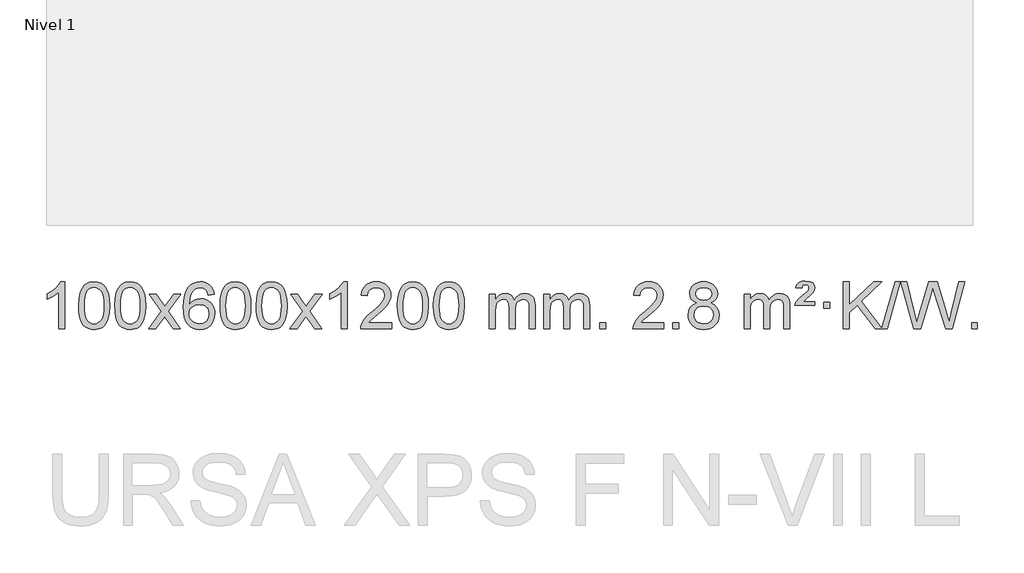
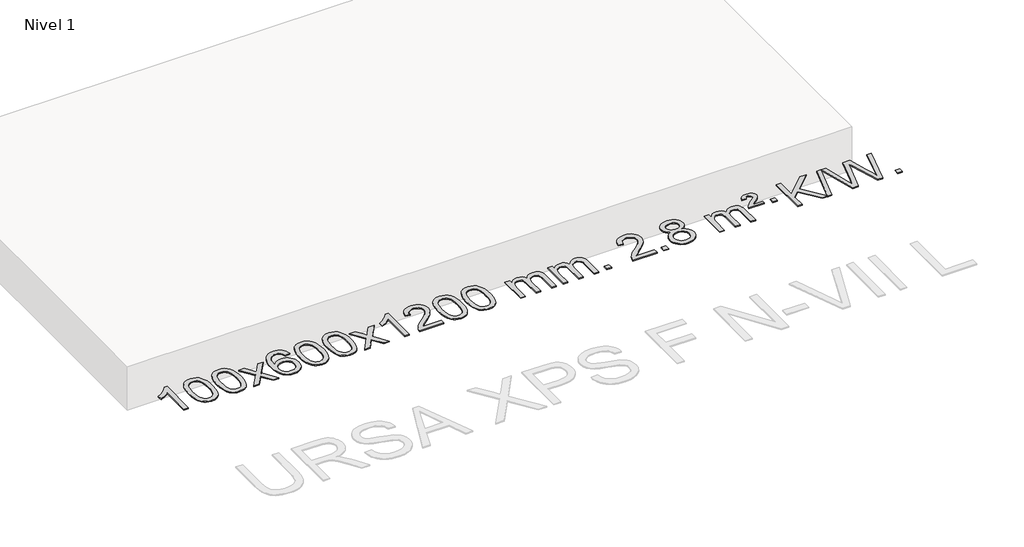
# One storey, part 8 of 10: 1 proxy.
"""IFC4 building model written with IfcOpenShell, lengths in millimetres."""

import ifcopenshell
import ifcopenshell.guid

model = None  # the IFC model being written
_history = None  # IfcOwnerHistory: only IFC2X3 demands one
_inside = {}  # id of a spatial element -> (the spatial element, [elements in it])
_under = {}  # id of a project, library or spatial element -> (it, [spatial elements below it])
_declared = {}  # id of a project -> (the project, [libraries it declares])
_typed = {}  # id of a type object -> (the type object, [elements of that type])
_made_of = {}  # id of a material, layer set ... -> (it, [elements and type objects made of it])


def new_model(schema):
    """Start an empty IFC model of exactly this schema.

    Asked for "IFC4X3", IfcOpenShell would pick the latest addendum, in which some entities
    have other attributes; the version numbers below select the first issue.
    IFC2X3 requires an IfcOwnerHistory on every rooted entity: one is made here for all.
    """
    global model, _history
    if schema == "IFC4X3":
        model = ifcopenshell.file(schema_version=(4, 3, 0, 0))
    else:
        model = ifcopenshell.file(schema=schema)
    _inside.clear()
    _under.clear()
    _declared.clear()
    _typed.clear()
    _made_of.clear()
    _history = None
    if model.schema == "IFC2X3":
        org = make("IfcOrganization", Name="unknown")
        user = make(
            "IfcPersonAndOrganization",
            ThePerson=make("IfcPerson", FamilyName="unknown"),
            TheOrganization=org,
        )
        app = make(
            "IfcApplication",
            ApplicationDeveloper=org,
            Version="unknown",
            ApplicationFullName="unknown",
            ApplicationIdentifier="unknown",
        )
        _history = make(
            "IfcOwnerHistory",
            OwningUser=user,
            OwningApplication=app,
            ChangeAction="ADDED",
            CreationDate=0,
        )
    return model


def make(cls, **values):
    """One entity of the class cls with the attributes given. An attribute that is None is left unset."""
    return model.create_entity(
        cls, **{name: value for name, value in values.items() if value is not None}
    )


def rooted(cls, **values):
    """An entity with a GlobalId (a new one), such as an element, a storey or a relation."""
    return make(cls, GlobalId=ifcopenshell.guid.new(), OwnerHistory=_history, **values)


def si_unit(unit_type, name, prefix=None):
    """IfcSIUnit, for example si_unit("LENGTHUNIT", "METRE", prefix="MILLI")."""
    return make("IfcSIUnit", UnitType=unit_type, Prefix=prefix, Name=name)


def assignment(units):
    """IfcUnitAssignment: the units of a project."""
    return None if units is None else make("IfcUnitAssignment", Units=units)


def point(xyz):
    """IfcCartesianPoint."""
    return None if xyz is None else make("IfcCartesianPoint", Coordinates=xyz)


def direction(xyz):
    """IfcDirection."""
    return None if xyz is None else make("IfcDirection", DirectionRatios=xyz)


def frame(location, z_axis=None, x_axis=None):
    """IfcAxis2Placement3D, a coordinate frame: its origin and axes. An axis left out is left unset."""
    return make(
        "IfcAxis2Placement3D",
        Location=point(location),
        Axis=direction(z_axis),
        RefDirection=direction(x_axis),
    )


def origin():
    """The frame at (0, 0, 0) with its axes left unset."""
    return frame((0.0, 0.0, 0.0))


def origin_with_axes():
    """The frame at (0, 0, 0) with the z axis (0, 0, 1) and the x axis (1, 0, 0) written out."""
    return frame((0.0, 0.0, 0.0), z_axis=(0.0, 0.0, 1.0), x_axis=(1.0, 0.0, 0.0))


def place(relative_to, where):
    """IfcLocalPlacement: puts the frame where relative to a parent placement (None: the world)."""
    return make(
        "IfcLocalPlacement", PlacementRelTo=relative_to, RelativePlacement=where
    )


def context(
    kind, dimensions, precision=None, world=None, true_north=None, identifier=None
):
    """IfcGeometricRepresentationContext, for example the 3D "Model" context."""
    return make(
        "IfcGeometricRepresentationContext",
        ContextIdentifier=identifier,
        ContextType=kind,
        CoordinateSpaceDimension=dimensions,
        Precision=precision,
        WorldCoordinateSystem=world,
        TrueNorth=true_north,
    )


def project(units=None, contexts=None):
    """IfcProject with its units and contexts."""
    return rooted(
        "IfcProject",
        Name="project",
        RepresentationContexts=contexts,
        UnitsInContext=assignment(units),
    )


def spatial(cls, under=None, at=None, **own):
    """A site, building, storey or space (cls), placed at a placement, below another one or the project."""
    s = rooted(cls, ObjectPlacement=at, **own)
    if under is not None:
        _under.setdefault(under.id(), (under, []))[1].append(s)
    return s


def polyline(points):
    """IfcPolyline through the points."""
    return make("IfcPolyline", Points=[point(p) for p in points])


def outline(outer, holes=None, kind="AREA"):
    """IfcArbitraryClosedProfileDef: a profile drawn as a closed curve; with holes, ...WithVoids."""
    if holes is None:
        return make("IfcArbitraryClosedProfileDef", ProfileType=kind, OuterCurve=outer)
    return make(
        "IfcArbitraryProfileDefWithVoids",
        ProfileType=kind,
        OuterCurve=outer,
        InnerCurves=holes,
    )


def extrude(swept, where, along, depth):
    """IfcExtrudedAreaSolid: the profile swept, set in the frame where, extruded along a direction by depth."""
    return make(
        "IfcExtrudedAreaSolid",
        SweptArea=swept,
        Position=where,
        ExtrudedDirection=direction(along),
        Depth=depth,
    )


def shape(context_of_items, identifier, shape_type, items):
    """IfcShapeRepresentation: the items that make up one representation, for example the "Body"."""
    return make(
        "IfcShapeRepresentation",
        ContextOfItems=context_of_items,
        RepresentationIdentifier=identifier,
        RepresentationType=shape_type,
        Items=items,
    )


def made_of(thing, what):
    """Note that an element or type object is made of a material, layer set ...; save() writes the relation."""
    if what is not None:
        _made_of.setdefault(what.id(), (what, []))[1].append(thing)
    return thing


def element(
    cls,
    number,
    at=None,
    inside=None,
    cuts=None,
    type_object=None,
    material=None,
    context=None,
    identifier="Body",
    shape_type=None,
    held_by="IfcProductDefinitionShape",
    body=None,
    shapes=None,
    **own,
):
    """One element of the class cls, such as IfcWall. Its Tag is "e" and its number.

    at: its placement. inside: the storey or other place that contains it. cuts: it is an
    opening in that element (IfcRelVoidsElement). A single representation is given by context,
    identifier, shape_type and body (its items); several are given by shapes. held_by: the class
    of the entity that holds the representations. save() writes the other relations.
    """
    e = rooted(cls, Tag="e%d" % number, ObjectPlacement=at, **own)
    if body is not None:
        shapes = [shape(context, identifier, shape_type, body)]
    if shapes is not None:
        e.Representation = make(held_by, Representations=shapes)
    if inside is not None:
        _inside.setdefault(inside.id(), (inside, []))[1].append(e)
    if cuts is not None:
        rooted(
            "IfcRelVoidsElement", RelatingBuildingElement=cuts, RelatedOpeningElement=e
        )
    if type_object is not None:
        _typed.setdefault(type_object.id(), (type_object, []))[1].append(e)
    return made_of(e, material)


def aggregate(whole, parts):
    """IfcRelAggregates: a whole, such as a stair, and the parts it consists of."""
    return rooted("IfcRelAggregates", RelatingObject=whole, RelatedObjects=parts)


def save(model, path):
    """Write the relations noted so far, then the file.

    IfcRelAggregates (storeys below a building ...), IfcRelContainedInSpatialStructure (elements
    in a storey), IfcRelDefinesByType, IfcRelAssociatesMaterial and IfcRelDeclares: one each for
    every whole, place, type object, material and project.
    """
    for whole, parts in _under.values():
        aggregate(whole, parts)
    for where, things in _inside.values():
        rooted(
            "IfcRelContainedInSpatialStructure",
            RelatedElements=things,
            RelatingStructure=where,
        )
    for kind, things in _typed.values():
        rooted("IfcRelDefinesByType", RelatedObjects=things, RelatingType=kind)
    for what, things in _made_of.values():
        rooted("IfcRelAssociatesMaterial", RelatedObjects=things, RelatingMaterial=what)
    for by, libraries in _declared.values():
        rooted("IfcRelDeclares", RelatingContext=by, RelatedDefinitions=libraries)
    model.write(path)


model = new_model("IFC4")

# Units and contexts
model_context = context("Model", 3, world=origin())
ifc_project = project(units=[si_unit("LENGTHUNIT", "METRE", prefix="MILLI")], contexts=[model_context])

# Site, building, storey
site = spatial("IfcSite", under=ifc_project)
building = spatial("IfcBuilding", under=site)
storey = spatial("IfcBuildingStorey", under=building, Name="Nivel 1", Elevation=0.0)

# Proxy
placement = place(None, origin())
element("IfcBuildingElementProxy", 1, Name="Texto de modelo 1", ObjectType="Texto de modelo 1", at=placement, inside=storey, context=model_context, shape_type="SweptSolid", body=[
    extrude(outline(polyline([(-9103.8541935, -12607.0613758), (-9154.0823486, -12607.0613758), (-9154.0823486, -12293.9202215), (-9175.0516223, -12310.8795815), (-9201.6617533, -12327.814416), (-9254.5386588, -12353.1737482), (-9254.5386588, -12305.6924454), (-9215.0894461, -12284.2326623), (-9180.9132088, -12258.7016518), (-9153.971984, -12231.5519606), (-9136.2278091, -12205.2361352), (-9103.8541935, -12205.2361352), (-9103.8541935, -12607.0613758)])), origin_with_axes(), (0.0, 0.0, 1.0), 10.0),
    extrude(outline(polyline([(-8984.5623252, -12409.3861171), (-8980.8712425, -12345.0680816), (-8969.7979945, -12293.7730687), (-8951.4529457, -12254.7162636), (-8939.5948827, -12239.4828833), (-8925.9464607, -12227.1128512), (-8910.4616944, -12217.5417879), (-8893.0945985, -12210.7053142), (-8852.7134182, -12205.2361352), (-8821.7622796, -12208.4734968), (-8794.0485027, -12218.1855814), (-8770.871937, -12233.9922445), (-8753.5324323, -12255.5133412), (-8740.4358332, -12282.5649306), (-8729.9879846, -12314.9630716), (-8723.1453795, -12356.1045414), (-8720.8645111, -12409.3861171), (-8724.5188056, -12473.3362706), (-8735.481689, -12524.5086561), (-8753.7163733, -12563.6022494), (-8765.5468451, -12578.881615), (-8779.1860701, -12591.3160264), (-8794.6892305, -12600.951469), (-8812.1115086, -12607.833928), (-8852.7134182, -12613.3398952), (-8880.3781442, -12610.9486622), (-8904.9036105, -12603.7749633), (-8926.2898172, -12591.8187985), (-8944.5367642, -12575.0801677), (-8962.0479471, -12544.8218736), (-8974.555935, -12507.1201004), (-8982.0607277, -12461.9748483), (-8984.5623252, -12409.3861171)]), holes=[polyline([(-8934.3341702, -12409.2880152), (-8932.8626422, -12452.9525423), (-8928.4480582, -12488.296805), (-8921.0904183, -12515.3208033), (-8910.7897225, -12534.024537), (-8898.3307856, -12546.7501884), (-8884.4984225, -12555.8399393), (-8869.2926334, -12561.2937899), (-8852.7134182, -12563.1117401), (-8836.1342029, -12561.2876586), (-8820.9284138, -12555.8154139), (-8807.0960508, -12546.6950061), (-8794.6371139, -12533.9264352), (-8784.336418, -12515.1920446), (-8776.9787781, -12488.1741777), (-8772.5641941, -12452.8728346), (-8771.0926662, -12409.2880152), (-8772.5151432, -12366.7792507), (-8776.7825744, -12332.0573217), (-8783.8949596, -12305.1222283), (-8793.8522989, -12285.9739704), (-8806.1027694, -12272.6259854), (-8820.0945479, -12263.0917103), (-8835.8276346, -12257.3711453), (-8853.3020294, -12255.4642903), (-8869.7954055, -12257.1442847), (-8884.7436772, -12262.1842681), (-8898.1468446, -12270.5842403), (-8910.0049075, -12282.3442014), (-8920.6489599, -12303.1908478), (-8928.2518545, -12331.2970322), (-8932.8135912, -12366.6627547), (-8934.3341702, -12409.2880152)])]), origin_with_axes(), (0.0, 0.0, 1.0), 10.0),
    extrude(outline(polyline([(-8676.9148754, -12409.3861171), (-8673.2237927, -12345.0680816), (-8662.1505447, -12293.7730687), (-8643.8054958, -12254.7162636), (-8631.9474329, -12239.4828833), (-8618.2990108, -12227.1128512), (-8602.8142445, -12217.5417879), (-8585.4471487, -12210.7053142), (-8545.0659683, -12205.2361352), (-8514.1148298, -12208.4734968), (-8486.4010528, -12218.1855814), (-8463.2244871, -12233.9922445), (-8445.8849824, -12255.5133412), (-8432.7883834, -12282.5649306), (-8422.3405347, -12314.9630716), (-8415.4979296, -12356.1045414), (-8413.2170613, -12409.3861171), (-8416.8713557, -12473.3362706), (-8427.8342392, -12524.5086561), (-8446.0689234, -12563.6022494), (-8457.8993953, -12578.881615), (-8471.5386202, -12591.3160264), (-8487.0417806, -12600.951469), (-8504.4640588, -12607.833928), (-8545.0659683, -12613.3398952), (-8572.7306944, -12610.9486622), (-8597.2561607, -12603.7749633), (-8618.6423674, -12591.8187985), (-8636.8893143, -12575.0801677), (-8654.4004973, -12544.8218736), (-8666.9084851, -12507.1201004), (-8674.4132778, -12461.9748483), (-8676.9148754, -12409.3861171)]), holes=[polyline([(-8626.6867203, -12409.2880152), (-8625.2151923, -12452.9525423), (-8620.8006084, -12488.296805), (-8613.4429685, -12515.3208033), (-8603.1422726, -12534.024537), (-8590.6833357, -12546.7501884), (-8576.8509727, -12555.8399393), (-8561.6451836, -12561.2937899), (-8545.0659683, -12563.1117401), (-8528.4867531, -12561.2876586), (-8513.2809639, -12555.8154139), (-8499.4486009, -12546.6950061), (-8486.989664, -12533.9264352), (-8476.6889682, -12515.1920446), (-8469.3313283, -12488.1741777), (-8464.9167443, -12452.8728346), (-8463.4452163, -12409.2880152), (-8464.8676934, -12366.7792507), (-8469.1351245, -12332.0573217), (-8476.2475098, -12305.1222283), (-8486.2048491, -12285.9739704), (-8498.4553195, -12272.6259854), (-8512.4470981, -12263.0917103), (-8528.1801848, -12257.3711453), (-8545.6545795, -12255.4642903), (-8562.1479556, -12257.1442847), (-8577.0962274, -12262.1842681), (-8590.4993947, -12270.5842403), (-8602.3574577, -12282.3442014), (-8613.0015101, -12303.1908478), (-8620.6044047, -12331.2970322), (-8625.1661414, -12366.6627547), (-8626.6867203, -12409.2880152)])]), origin_with_axes(), (0.0, 0.0, 1.0), 10.0),
    extrude(outline(polyline([(-8388.1029837, -12607.0613758), (-8280.779543, -12458.7313553), (-8381.8244643, -12311.9709647), (-8321.3937153, -12311.9709647), (-8272.6370882, -12382.6043078), (-8249.8774554, -12415.958942), (-8230.1589805, -12388.6866235), (-8174.6333247, -12311.9709647), (-8114.2025756, -12311.9709647), (-8220.3487939, -12458.7313553), (-8118.1266502, -12607.0613758), (-8178.5573993, -12607.0613758), (-8240.0672689, -12517.8867802), (-8251.3489834, -12501.6018705), (-8327.6722346, -12607.0613758), (-8388.1029837, -12607.0613758)])), origin_with_axes(), (0.0, 0.0, 1.0), 10.0),
    extrude(outline(polyline([(-7829.3147585, -12311.9709647), (-7879.5429136, -12318.2494841), (-7887.6363175, -12293.3561358), (-7898.5746755, -12276.3599876), (-7921.3588337, -12260.6882146), (-7948.9009324, -12255.4642903), (-7972.2491764, -12258.5054481), (-7994.2239942, -12267.6289216), (-8013.0963406, -12286.8446245), (-8028.5105962, -12313.2953399), (-8038.9216566, -12350.7089388), (-8042.7844176, -12402.8132921), (-8022.636747, -12379.3056326), (-7998.4914254, -12362.7386801), (-7971.6973534, -12352.9162308), (-7943.6034317, -12349.642081), (-7919.4703728, -12351.8800298), (-7897.2012494, -12358.5938763), (-7876.7960614, -12369.7836203), (-7858.2548088, -12385.4492619), (-7842.8466846, -12404.6588334), (-7831.8408815, -12426.4803671), (-7825.2373997, -12450.9138629), (-7823.0362391, -12477.959321), (-7827.1810429, -12513.9259174), (-7839.6154544, -12547.2682889), (-7859.3094039, -12575.5461515), (-7885.2328218, -12596.3192215), (-7916.2084858, -12609.0847268), (-7951.0591735, -12613.3398952), (-7981.0017022, -12610.5194666), (-8008.0440945, -12602.0581807), (-8032.1863504, -12587.9560375), (-8053.42847, -12568.2130371), (-8070.7465149, -12541.9953136), (-8083.116547, -12508.4690011), (-8090.5385662, -12467.6340996), (-8093.0125727, -12419.4906092), (-8090.2657204, -12365.5161891), (-8082.0251637, -12319.451232), (-8068.2909026, -12281.2957377), (-8049.062937, -12251.0497063), (-8028.2224219, -12231.006269), (-8004.0587062, -12216.689528), (-7976.5717898, -12208.0994834), (-7945.7616727, -12205.2361352), (-7922.6280266, -12207.0081001), (-7901.6894097, -12212.323995), (-7882.945822, -12221.1838197), (-7866.3972636, -12233.5875743), (-7852.4913242, -12249.1183259), (-7841.6755936, -12267.3591415), (-7833.9500717, -12288.3100211), (-7829.3147585, -12311.9709647)]), holes=[polyline([(-8042.7844176, -12477.174506), (-8039.8781498, -12499.4313667), (-8031.1593465, -12520.6826833), (-8017.6212891, -12538.9541558), (-8000.2572589, -12552.271484), (-7979.3002479, -12560.4016761), (-7954.9832481, -12563.1117401), (-7921.8370803, -12557.4954083), (-7907.9219438, -12550.4749936), (-7895.7787723, -12540.6464129), (-7885.9287319, -12528.4082052), (-7878.8929887, -12514.1589093), (-7873.2643942, -12479.6270527), (-7878.8194123, -12446.4808849), (-7885.763185, -12432.860054), (-7895.4844667, -12421.2073918), (-7907.6644264, -12411.8723862), (-7921.9842331, -12405.204525), (-7957.0433872, -12399.8702361), (-7990.1405041, -12405.204525), (-8017.8174928, -12421.2073918), (-8028.7405224, -12432.7067699), (-8036.5426864, -12445.8677482), (-8041.2239848, -12460.690327), (-8042.7844176, -12477.174506)])]), origin_with_axes(), (0.0, 0.0, 1.0), 10.0),
    extrude(outline(polyline([(-7779.0866034, -12409.3861171), (-7775.3955208, -12345.0680816), (-7764.3222727, -12293.7730687), (-7745.9772239, -12254.7162636), (-7734.1191609, -12239.4828833), (-7720.4707389, -12227.1128512), (-7704.9859726, -12217.5417879), (-7687.6188767, -12210.7053142), (-7647.2376964, -12205.2361352), (-7616.2865578, -12208.4734968), (-7588.5727809, -12218.1855814), (-7565.3962152, -12233.9922445), (-7548.0567105, -12255.5133412), (-7534.9601114, -12282.5649306), (-7524.5122628, -12314.9630716), (-7517.6696577, -12356.1045414), (-7515.3887893, -12409.3861171), (-7519.0430838, -12473.3362706), (-7530.0059672, -12524.5086561), (-7548.2406515, -12563.6022494), (-7560.0711233, -12578.881615), (-7573.7103483, -12591.3160264), (-7589.2135087, -12600.951469), (-7606.6357868, -12607.833928), (-7647.2376964, -12613.3398952), (-7674.9024224, -12610.9486622), (-7699.4278887, -12603.7749633), (-7720.8140954, -12591.8187985), (-7739.0610424, -12575.0801677), (-7756.5722253, -12544.8218736), (-7769.0802132, -12507.1201004), (-7776.5850059, -12461.9748483), (-7779.0866034, -12409.3861171)]), holes=[polyline([(-7728.8584484, -12409.2880152), (-7727.3869204, -12452.9525423), (-7722.9723364, -12488.296805), (-7715.6146965, -12515.3208033), (-7705.3140007, -12534.024537), (-7692.8550638, -12546.7501884), (-7679.0227008, -12555.8399393), (-7663.8169116, -12561.2937899), (-7647.2376964, -12563.1117401), (-7630.6584811, -12561.2876586), (-7615.452692, -12555.8154139), (-7601.620329, -12546.6950061), (-7589.1613921, -12533.9264352), (-7578.8606962, -12515.1920446), (-7571.5030563, -12488.1741777), (-7567.0884724, -12452.8728346), (-7565.6169444, -12409.2880152), (-7567.0394214, -12366.7792507), (-7571.3068526, -12332.0573217), (-7578.4192378, -12305.1222283), (-7588.3765771, -12285.9739704), (-7600.6270476, -12272.6259854), (-7614.6188261, -12263.0917103), (-7630.3519128, -12257.3711453), (-7647.8263076, -12255.4642903), (-7664.3196837, -12257.1442847), (-7679.2679554, -12262.1842681), (-7692.6711228, -12270.5842403), (-7704.5291857, -12282.3442014), (-7715.1732381, -12303.1908478), (-7722.7761327, -12331.2970322), (-7727.3378695, -12366.6627547), (-7728.8584484, -12409.2880152)])]), origin_with_axes(), (0.0, 0.0, 1.0), 10.0),
    extrude(outline(polyline([(-7471.4391536, -12409.3861171), (-7467.7480709, -12345.0680816), (-7456.6748229, -12293.7730687), (-7438.329774, -12254.7162636), (-7426.4717111, -12239.4828833), (-7412.823289, -12227.1128512), (-7397.3385227, -12217.5417879), (-7379.9714269, -12210.7053142), (-7339.5902465, -12205.2361352), (-7308.639108, -12208.4734968), (-7280.925331, -12218.1855814), (-7257.7487653, -12233.9922445), (-7240.4092606, -12255.5133412), (-7227.3126616, -12282.5649306), (-7216.8648129, -12314.9630716), (-7210.0222078, -12356.1045414), (-7207.7413395, -12409.3861171), (-7211.3956339, -12473.3362706), (-7222.3585174, -12524.5086561), (-7240.5932016, -12563.6022494), (-7252.4236735, -12578.881615), (-7266.0628984, -12591.3160264), (-7281.5660588, -12600.951469), (-7298.988337, -12607.833928), (-7339.5902465, -12613.3398952), (-7367.2549726, -12610.9486622), (-7391.7804389, -12603.7749633), (-7413.1666456, -12591.8187985), (-7431.4135925, -12575.0801677), (-7448.9247755, -12544.8218736), (-7461.4327633, -12507.1201004), (-7468.937556, -12461.9748483), (-7471.4391536, -12409.3861171)]), holes=[polyline([(-7421.2109985, -12409.2880152), (-7419.7394706, -12452.9525423), (-7415.3248866, -12488.296805), (-7407.9672467, -12515.3208033), (-7397.6665508, -12534.024537), (-7385.2076139, -12546.7501884), (-7371.3752509, -12555.8399393), (-7356.1694618, -12561.2937899), (-7339.5902465, -12563.1117401), (-7323.0110313, -12561.2876586), (-7307.8052422, -12555.8154139), (-7293.9728791, -12546.6950061), (-7281.5139422, -12533.9264352), (-7271.2132464, -12515.1920446), (-7263.8556065, -12488.1741777), (-7259.4410225, -12452.8728346), (-7257.9694945, -12409.2880152), (-7259.3919716, -12366.7792507), (-7263.6594027, -12332.0573217), (-7270.771788, -12305.1222283), (-7280.7291273, -12285.9739704), (-7292.9795977, -12272.6259854), (-7306.9713763, -12263.0917103), (-7322.704463, -12257.3711453), (-7340.1788577, -12255.4642903), (-7356.6722338, -12257.1442847), (-7371.6205056, -12262.1842681), (-7385.0236729, -12270.5842403), (-7396.8817359, -12282.3442014), (-7407.5257883, -12303.1908478), (-7415.1286829, -12331.2970322), (-7419.6904196, -12366.6627547), (-7421.2109985, -12409.2880152)])]), origin_with_axes(), (0.0, 0.0, 1.0), 10.0),
    extrude(outline(polyline([(-7182.6272619, -12607.0613758), (-7075.3038212, -12458.7313553), (-7176.3487425, -12311.9709647), (-7115.9179935, -12311.9709647), (-7067.1613664, -12382.6043078), (-7044.4017336, -12415.958942), (-7024.6832587, -12388.6866235), (-6969.1576029, -12311.9709647), (-6908.7268538, -12311.9709647), (-7014.8730721, -12458.7313553), (-6912.6509284, -12607.0613758), (-6973.0816775, -12607.0613758), (-7034.5915471, -12517.8867802), (-7045.8732616, -12501.6018705), (-7122.1965129, -12607.0613758), (-7182.6272619, -12607.0613758)])), origin_with_axes(), (0.0, 0.0, 1.0), 10.0),
    extrude(outline(polyline([(-6692.9027499, -12607.0613758), (-6743.130905, -12607.0613758), (-6743.130905, -12293.9202215), (-6764.1001787, -12310.8795815), (-6790.7103097, -12327.814416), (-6843.5872152, -12353.1737482), (-6843.5872152, -12305.6924454), (-6804.1380026, -12284.2326623), (-6769.9617652, -12258.7016518), (-6743.0205404, -12231.5519606), (-6725.2763655, -12205.2361352), (-6692.9027499, -12205.2361352), (-6692.9027499, -12607.0613758)])), origin_with_axes(), (0.0, 0.0, 1.0), 10.0),
    extrude(outline(polyline([(-6316.1915869, -12556.8332207), (-6316.1915869, -12607.0613758), (-6579.889401, -12607.0613758), (-6578.785755, -12589.3785146), (-6574.4937984, -12572.4314173), (-6562.1084379, -12545.3675652), (-6543.9841183, -12519.1130535), (-6517.7663948, -12491.6322684), (-6481.1008226, -12460.8895964), (-6426.899542, -12412.746106), (-6394.3787736, -12377.2087052), (-6378.1183894, -12348.3667568), (-6372.6982613, -12320.3096233), (-6377.8118211, -12295.1587576), (-6393.1525003, -12274.2507975), (-6416.7337362, -12260.1609171), (-6446.568966, -12255.4642903), (-6477.9002492, -12260.0505525), (-6502.2417746, -12273.8093391), (-6517.9503358, -12295.6615296), (-6523.3827266, -12324.5280035), (-6573.6108816, -12318.2494841), (-6569.2913339, -12292.3199348), (-6561.4339876, -12269.6645353), (-6550.0388428, -12250.2832855), (-6535.1058995, -12234.1761855), (-6516.9785142, -12221.5149135), (-6496.0000434, -12212.4711478), (-6472.1704872, -12207.0448883), (-6445.4898455, -12205.2361352), (-6418.5700805, -12207.2472234), (-6394.6117655, -12213.2804882), (-6373.6149006, -12223.3359294), (-6355.5794858, -12237.413547), (-6341.0941323, -12254.4710089), (-6330.7474512, -12273.4659826), (-6324.5394425, -12294.3984681), (-6322.4701063, -12317.2684655), (-6324.7019237, -12341.2911598), (-6331.397376, -12364.8969211), (-6343.2799645, -12388.9073527), (-6361.0731903, -12414.1440575), (-6389.4368921, -12444.2735929), (-6433.0309086, -12482.9625161), (-6490.8129073, -12531.2776848), (-6513.4744382, -12556.8332207), (-6316.1915869, -12556.8332207)])), origin_with_axes(), (0.0, 0.0, 1.0), 10.0),
    extrude(outline(polyline([(-6265.9634318, -12409.3861171), (-6262.2723491, -12345.0680816), (-6251.1991011, -12293.7730687), (-6232.8540522, -12254.7162636), (-6220.9959893, -12239.4828833), (-6207.3475672, -12227.1128512), (-6191.8628009, -12217.5417879), (-6174.4957051, -12210.7053142), (-6134.1145247, -12205.2361352), (-6103.1633862, -12208.4734968), (-6075.4496092, -12218.1855814), (-6052.2730435, -12233.9922445), (-6034.9335388, -12255.5133412), (-6021.8369398, -12282.5649306), (-6011.3890911, -12314.9630716), (-6004.546486, -12356.1045414), (-6002.2656177, -12409.3861171), (-6005.9199122, -12473.3362706), (-6016.8827956, -12524.5086561), (-6035.1174798, -12563.6022494), (-6046.9479517, -12578.881615), (-6060.5871766, -12591.3160264), (-6076.090337, -12600.951469), (-6093.5126152, -12607.833928), (-6134.1145247, -12613.3398952), (-6161.7792508, -12610.9486622), (-6186.3047171, -12603.7749633), (-6207.6909238, -12591.8187985), (-6225.9378707, -12575.0801677), (-6243.4490537, -12544.8218736), (-6255.9570415, -12507.1201004), (-6263.4618342, -12461.9748483), (-6265.9634318, -12409.3861171)]), holes=[polyline([(-6215.7352767, -12409.2880152), (-6214.2637488, -12452.9525423), (-6209.8491648, -12488.296805), (-6202.4915249, -12515.3208033), (-6192.190829, -12534.024537), (-6179.7318921, -12546.7501884), (-6165.8995291, -12555.8399393), (-6150.69374, -12561.2937899), (-6134.1145247, -12563.1117401), (-6117.5353095, -12561.2876586), (-6102.3295204, -12555.8154139), (-6088.4971573, -12546.6950061), (-6076.0382204, -12533.9264352), (-6065.7375246, -12515.1920446), (-6058.3798847, -12488.1741777), (-6053.9653007, -12452.8728346), (-6052.4937727, -12409.2880152), (-6053.9162498, -12366.7792507), (-6058.1836809, -12332.0573217), (-6065.2960662, -12305.1222283), (-6075.2534055, -12285.9739704), (-6087.503876, -12272.6259854), (-6101.4956545, -12263.0917103), (-6117.2287412, -12257.3711453), (-6134.7031359, -12255.4642903), (-6151.196512, -12257.1442847), (-6166.1447838, -12262.1842681), (-6179.5479511, -12270.5842403), (-6191.4060141, -12282.3442014), (-6202.0500665, -12303.1908478), (-6209.6529611, -12331.2970322), (-6214.2146978, -12366.6627547), (-6215.7352767, -12409.2880152)])]), origin_with_axes(), (0.0, 0.0, 1.0), 10.0),
    extrude(outline(polyline([(-5958.315982, -12409.3861171), (-5954.6248993, -12345.0680816), (-5943.5516512, -12293.7730687), (-5925.2066024, -12254.7162636), (-5913.3485394, -12239.4828833), (-5899.7001174, -12227.1128512), (-5884.2153511, -12217.5417879), (-5866.8482552, -12210.7053142), (-5826.4670749, -12205.2361352), (-5795.5159364, -12208.4734968), (-5767.8021594, -12218.1855814), (-5744.6255937, -12233.9922445), (-5727.286089, -12255.5133412), (-5714.18949, -12282.5649306), (-5703.7416413, -12314.9630716), (-5696.8990362, -12356.1045414), (-5694.6181678, -12409.3861171), (-5698.2724623, -12473.3362706), (-5709.2353458, -12524.5086561), (-5727.47003, -12563.6022494), (-5739.3005018, -12578.881615), (-5752.9397268, -12591.3160264), (-5768.4428872, -12600.951469), (-5785.8651654, -12607.833928), (-5826.4670749, -12613.3398952), (-5854.1318009, -12610.9486622), (-5878.6572673, -12603.7749633), (-5900.0434739, -12591.8187985), (-5918.2904209, -12575.0801677), (-5935.8016039, -12544.8218736), (-5948.3095917, -12507.1201004), (-5955.8143844, -12461.9748483), (-5958.315982, -12409.3861171)]), holes=[polyline([(-5908.0878269, -12409.2880152), (-5906.6162989, -12452.9525423), (-5902.201715, -12488.296805), (-5894.8440751, -12515.3208033), (-5884.5433792, -12534.024537), (-5872.0844423, -12546.7501884), (-5858.2520793, -12555.8399393), (-5843.0462902, -12561.2937899), (-5826.4670749, -12563.1117401), (-5809.8878597, -12561.2876586), (-5794.6820705, -12555.8154139), (-5780.8497075, -12546.6950061), (-5768.3907706, -12533.9264352), (-5758.0900747, -12515.1920446), (-5750.7324348, -12488.1741777), (-5746.3178509, -12452.8728346), (-5744.8463229, -12409.2880152), (-5746.2688, -12366.7792507), (-5750.5362311, -12332.0573217), (-5757.6486163, -12305.1222283), (-5767.6059557, -12285.9739704), (-5779.8564261, -12272.6259854), (-5793.8482047, -12263.0917103), (-5809.5812913, -12257.3711453), (-5827.0556861, -12255.4642903), (-5843.5490622, -12257.1442847), (-5858.497334, -12262.1842681), (-5871.9005013, -12270.5842403), (-5883.7585643, -12282.3442014), (-5894.4026167, -12303.1908478), (-5902.0055112, -12331.2970322), (-5906.567248, -12366.6627547), (-5908.0878269, -12409.2880152)])]), origin_with_axes(), (0.0, 0.0, 1.0), 10.0),
    extrude(outline(polyline([(-5481.1485088, -12607.0613758), (-5481.1485088, -12311.9709647), (-5430.9203537, -12311.9709647), (-5430.9203537, -12360.5313881), (-5415.8126664, -12338.2254765), (-5396.3884971, -12320.7510817), (-5373.3100332, -12309.4571044), (-5347.2394625, -12305.6924454), (-5319.3049564, -12309.5306808), (-5296.9132056, -12321.0453873), (-5280.1868375, -12339.4762752), (-5269.2484795, -12364.0630553), (-5250.9402189, -12338.5259134), (-5230.0567843, -12320.2850978), (-5206.5981758, -12309.3406085), (-5180.5643932, -12305.6924454), (-5160.4565765, -12307.2099586), (-5142.8074378, -12311.7624983), (-5127.6169771, -12319.3500644), (-5114.8851944, -12329.972657), (-5104.8205561, -12343.7529034), (-5097.6315288, -12360.813431), (-5093.3181124, -12381.1542396), (-5091.8803069, -12404.7753294), (-5091.8803069, -12607.0613758), (-5142.108462, -12607.0613758), (-5142.108462, -12426.3577398), (-5143.2734217, -12401.3049759), (-5146.7683006, -12384.4191923), (-5153.3166001, -12372.8554349), (-5163.6418215, -12363.7687497), (-5176.9223615, -12357.8826377), (-5192.3366171, -12355.9206004), (-5219.547622, -12360.948321), (-5241.7309063, -12376.0314828), (-5250.3362793, -12387.6013716), (-5256.4829743, -12402.2001554), (-5261.4003303, -12440.4844084), (-5261.4003303, -12607.0613758), (-5311.6284854, -12607.0613758), (-5311.6284854, -12420.7659334), (-5314.5347532, -12392.3654434), (-5323.2535564, -12372.1074082), (-5338.5942356, -12359.9673024), (-5361.3661311, -12355.9206004), (-5380.7167241, -12358.6184017), (-5398.5467381, -12366.7118056), (-5413.2620179, -12380.0046084), (-5423.2684082, -12398.3006063), (-5429.0073673, -12423.6844639), (-5430.9203537, -12458.240846), (-5430.9203537, -12607.0613758), (-5481.1485088, -12607.0613758)])), origin_with_axes(), (0.0, 0.0, 1.0), 10.0),
    extrude(outline(polyline([(-5016.5380743, -12607.0613758), (-5016.5380743, -12311.9709647), (-4966.3099192, -12311.9709647), (-4966.3099192, -12360.5313881), (-4951.202232, -12338.2254765), (-4931.7780626, -12320.7510817), (-4908.6995988, -12309.4571044), (-4882.6290281, -12305.6924454), (-4854.6945219, -12309.5306808), (-4832.3027711, -12321.0453873), (-4815.5764031, -12339.4762752), (-4804.6380451, -12364.0630553), (-4786.3297845, -12338.5259134), (-4765.4463499, -12320.2850978), (-4741.9877413, -12309.3406085), (-4715.9539588, -12305.6924454), (-4695.8461421, -12307.2099586), (-4678.1970034, -12311.7624983), (-4663.0065426, -12319.3500644), (-4650.2747599, -12329.972657), (-4640.2101217, -12343.7529034), (-4633.0210944, -12360.813431), (-4628.707678, -12381.1542396), (-4627.2698725, -12404.7753294), (-4627.2698725, -12607.0613758), (-4677.4980276, -12607.0613758), (-4677.4980276, -12426.3577398), (-4678.6629872, -12401.3049759), (-4682.1578662, -12384.4191923), (-4688.7061657, -12372.8554349), (-4699.031387, -12363.7687497), (-4712.311927, -12357.8826377), (-4727.7261826, -12355.9206004), (-4754.9371876, -12360.948321), (-4777.1204719, -12376.0314828), (-4785.7258449, -12387.6013716), (-4791.8725399, -12402.2001554), (-4796.7898959, -12440.4844084), (-4796.7898959, -12607.0613758), (-4847.0180509, -12607.0613758), (-4847.0180509, -12420.7659334), (-4849.9243187, -12392.3654434), (-4858.643122, -12372.1074082), (-4873.9838012, -12359.9673024), (-4896.7556967, -12355.9206004), (-4916.1062896, -12358.6184017), (-4933.9363037, -12366.7118056), (-4948.6515835, -12380.0046084), (-4958.6579738, -12398.3006063), (-4964.3969329, -12423.6844639), (-4966.3099192, -12458.240846), (-4966.3099192, -12607.0613758), (-5016.5380743, -12607.0613758)])), origin_with_axes(), (0.0, 0.0, 1.0), 10.0),
    extrude(outline(polyline([(-4539.3706011, -12607.0613758), (-4539.3706011, -12556.8332207), (-4489.142446, -12556.8332207), (-4489.142446, -12607.0613758), (-4539.3706011, -12607.0613758)])), origin_with_axes(), (0.0, 0.0, 1.0), 10.0),
    extrude(outline(polyline([(-3993.1394147, -12556.8332207), (-3993.1394147, -12607.0613758), (-4256.8372288, -12607.0613758), (-4255.7335828, -12589.3785146), (-4251.4416262, -12572.4314173), (-4239.0562657, -12545.3675652), (-4220.9319461, -12519.1130535), (-4194.7142226, -12491.6322684), (-4158.0486504, -12460.8895964), (-4103.8473698, -12412.746106), (-4071.3266014, -12377.2087052), (-4055.0662172, -12348.3667568), (-4049.6460891, -12320.3096233), (-4054.7596489, -12295.1587576), (-4070.1003281, -12274.2507975), (-4093.681564, -12260.1609171), (-4123.5167938, -12255.4642903), (-4154.848077, -12260.0505525), (-4179.1896024, -12273.8093391), (-4194.8981636, -12295.6615296), (-4200.3305544, -12324.5280035), (-4250.5587094, -12318.2494841), (-4246.2391617, -12292.3199348), (-4238.3818154, -12269.6645353), (-4226.9866706, -12250.2832855), (-4212.0537273, -12234.1761855), (-4193.926342, -12221.5149135), (-4172.9478712, -12212.4711478), (-4149.1183149, -12207.0448883), (-4122.4376732, -12205.2361352), (-4095.5179082, -12207.2472234), (-4071.5595933, -12213.2804882), (-4050.5627284, -12223.3359294), (-4032.5273136, -12237.413547), (-4018.0419601, -12254.4710089), (-4007.695279, -12273.4659826), (-4001.4872703, -12294.3984681), (-3999.4179341, -12317.2684655), (-4001.6497515, -12341.2911598), (-4008.3452038, -12364.8969211), (-4020.2277923, -12388.9073527), (-4038.0210181, -12414.1440575), (-4066.3847199, -12444.2735929), (-4109.9787363, -12482.9625161), (-4167.7607351, -12531.2776848), (-4190.422266, -12556.8332207), (-3993.1394147, -12556.8332207)])), origin_with_axes(), (0.0, 0.0, 1.0), 10.0),
    extrude(outline(polyline([(-3917.7971821, -12607.0613758), (-3917.7971821, -12556.8332207), (-3867.569027, -12556.8332207), (-3867.569027, -12607.0613758), (-3917.7971821, -12607.0613758)])), origin_with_axes(), (0.0, 0.0, 1.0), 10.0),
    extrude(outline(polyline([(-3712.7642834, -12385.7435675), (-3739.6564573, -12372.4998157), (-3758.5288036, -12354.5471743), (-3769.6756281, -12332.2535254), (-3773.3912362, -12305.9867509), (-3771.3678852, -12285.5018552), (-3765.2978323, -12266.7214793), (-3755.1810775, -12249.6456234), (-3741.0176206, -12234.2742874), (-3723.4880436, -12221.5700958), (-3703.2729279, -12212.4956732), (-3680.3722737, -12207.0510197), (-3654.786081, -12205.2361352), (-3629.0772609, -12207.0939393), (-3606.0049284, -12212.6673515), (-3585.5690836, -12221.9563719), (-3567.7697264, -12234.9610004), (-3553.3487522, -12250.6327734), (-3543.0480563, -12267.9232272), (-3536.8676388, -12286.8323617), (-3534.8074996, -12307.3601771), (-3538.4740568, -12332.7808229), (-3549.4737285, -12354.6943271), (-3567.9291419, -12372.5366039), (-3593.9629244, -12385.7435675), (-3563.0485741, -12401.6728579), (-3540.5464587, -12425.1314665), (-3526.8244603, -12454.9912217), (-3522.2504608, -12490.1239523), (-3524.5190665, -12515.1767161), (-3531.3248834, -12538.1448154), (-3542.6679116, -12559.02825), (-3558.548151, -12577.8270199), (-3578.1317359, -12593.3639028), (-3600.5848004, -12604.4616764), (-3625.9073444, -12611.1203405), (-3654.0993679, -12613.3398952), (-3682.2913915, -12611.1111434), (-3707.6139355, -12604.4248882), (-3730.0669999, -12593.2811294), (-3749.6505848, -12577.6798671), (-3765.5308243, -12558.7492728), (-3776.8738524, -12537.6175178), (-3783.6796694, -12514.2846023), (-3785.948275, -12488.7505262), (-3781.1903345, -12452.2566322), (-3766.9165131, -12422.2374614), (-3743.8625747, -12399.7230833), (-3712.7642834, -12385.7435675)]), holes=[polyline([(-3723.1630811, -12307.4582789), (-3718.711709, -12329.3840458), (-3705.3575926, -12346.8952288), (-3683.4931393, -12358.3731471), (-3653.5107567, -12362.1991198), (-3624.2273499, -12358.3976725), (-3602.6939905, -12346.9933307), (-3589.4502386, -12330.0707589), (-3585.0356547, -12309.7146218), (-3589.5973914, -12288.5859326), (-3603.2826017, -12271.1115378), (-3625.1102667, -12259.3761022), (-3654.0993679, -12255.4642903), (-3683.2724101, -12259.290263), (-3705.063287, -12270.7681813), (-3718.6381326, -12287.5926512), (-3723.1630811, -12307.4582789)]), polyline([(-3735.7201199, -12486.9846926), (-3733.6231925, -12506.2003955), (-3727.3324104, -12524.8029617), (-3715.7196021, -12541.0265577), (-3697.6565961, -12553.1053498), (-3676.0251348, -12560.6101425), (-3653.7069605, -12563.1117401), (-3619.5184604, -12557.8510276), (-3605.6247837, -12551.2751369), (-3593.8648226, -12542.06889), (-3577.8251676, -12518.168823), (-3572.4786159, -12488.5543224), (-3577.9968459, -12458.4370498), (-3594.5515356, -12434.0096853), (-3606.6303278, -12424.5673807), (-3620.7937846, -12417.8228775), (-3655.3746922, -12412.4272749), (-3689.0849457, -12417.7493011), (-3702.8222725, -12424.4018338), (-3714.4810661, -12433.7153797), (-3730.4103565, -12457.6767603), (-3735.7201199, -12486.9846926)])]), origin_with_axes(), (0.0, 0.0, 1.0), 10.0),
    extrude(outline(polyline([(-3308.7808018, -12607.0613758), (-3308.7808018, -12311.9709647), (-3258.5526467, -12311.9709647), (-3258.5526467, -12360.5313881), (-3243.4449594, -12338.2254765), (-3224.0207901, -12320.7510817), (-3200.9423263, -12309.4571044), (-3174.8717555, -12305.6924454), (-3146.9372494, -12309.5306808), (-3124.5454986, -12321.0453873), (-3107.8191305, -12339.4762752), (-3096.8807726, -12364.0630553), (-3078.5725119, -12338.5259134), (-3057.6890773, -12320.2850978), (-3034.2304688, -12309.3406085), (-3008.1966863, -12305.6924454), (-2988.0888695, -12307.2099586), (-2970.4397308, -12311.7624983), (-2955.2492701, -12319.3500644), (-2942.5174874, -12329.972657), (-2932.4528491, -12343.7529034), (-2925.2638218, -12360.813431), (-2920.9504054, -12381.1542396), (-2919.5126, -12404.7753294), (-2919.5126, -12607.0613758), (-2969.740755, -12607.0613758), (-2969.740755, -12426.3577398), (-2970.9057147, -12401.3049759), (-2974.4005936, -12384.4191923), (-2980.9488931, -12372.8554349), (-2991.2741145, -12363.7687497), (-3004.5546545, -12357.8826377), (-3019.9689101, -12355.9206004), (-3047.179915, -12360.948321), (-3069.3631993, -12376.0314828), (-3077.9685723, -12387.6013716), (-3084.1152673, -12402.2001554), (-3089.0326233, -12440.4844084), (-3089.0326233, -12607.0613758), (-3139.2607784, -12607.0613758), (-3139.2607784, -12420.7659334), (-3142.1670462, -12392.3654434), (-3150.8858495, -12372.1074082), (-3166.2265287, -12359.9673024), (-3188.9984242, -12355.9206004), (-3208.3490171, -12358.6184017), (-3226.1790311, -12366.7118056), (-3240.8943109, -12380.0046084), (-3250.9007012, -12398.3006063), (-3256.6396603, -12423.6844639), (-3258.5526467, -12458.240846), (-3258.5526467, -12607.0613758), (-3308.7808018, -12607.0613758)])), origin_with_axes(), (0.0, 0.0, 1.0), 10.0),
    extrude(outline(polyline([(-2875.5629643, -12406.1487555), (-2871.7369915, -12390.3298297), (-2863.398333, -12374.461853), (-2841.889499, -12349.32325), (-2809.9328163, -12321.5849475), (-2765.7869769, -12284.2081368), (-2758.6500662, -12272.6811677), (-2756.271096, -12260.8598929), (-2758.1595569, -12248.768838), (-2763.8249396, -12238.9831769), (-2773.1936677, -12232.5084538), (-2786.1921649, -12230.3502127), (-2798.6265763, -12231.9688935), (-2807.4802697, -12236.8249359), (-2813.9059419, -12246.2917659), (-2819.0562898, -12261.7428097), (-2869.2844449, -12255.4642903), (-2858.4441888, -12230.2521109), (-2841.8159226, -12212.691877), (-2818.0507457, -12202.3911811), (-2785.7997574, -12198.9576158), (-2750.017102, -12203.0901569), (-2725.2709065, -12215.4877801), (-2710.8499323, -12233.8205662), (-2706.0429409, -12255.7585959), (-2710.1386938, -12278.6653814), (-2722.4259524, -12300.2968428), (-2742.9537677, -12320.1134196), (-2779.4231362, -12348.1705531), (-2805.0277231, -12374.7561586), (-2706.0429409, -12374.7561586), (-2706.0429409, -12406.1487555), (-2875.5629643, -12406.1487555)])), origin_with_axes(), (0.0, 0.0, 1.0), 10.0),
    extrude(outline(polyline([(-2630.7007083, -12431.262833), (-2630.7007083, -12381.034678), (-2580.4725532, -12381.034678), (-2580.4725532, -12431.262833), (-2630.7007083, -12431.262833)])), origin_with_axes(), (0.0, 0.0, 1.0), 10.0),
    extrude(outline(polyline([(-2189.8309253, -12607.0613758), (-2343.2622427, -12404.3829219), (-2410.9525298, -12468.9339493), (-2410.9525298, -12607.0613758), (-2461.1806849, -12607.0613758), (-2461.1806849, -12205.2361352), (-2410.9525298, -12205.2361352), (-2410.9525298, -12401.9303753), (-2204.9386125, -12205.2361352), (-2134.6976769, -12205.2361352), (-2307.6512656, -12370.4396765), (-2132.9976557, -12601.016856), (-2021.684328, -12205.2361352), (-1976.3612662, -12205.2361352), (-2089.3746151, -12607.0613758), (-2128.4191575, -12607.0613758), (-2134.6976769, -12607.0613758), (-2189.8309253, -12607.0613758)])), origin_with_axes(), (0.0, 0.0, 1.0), 10.0),
    extrude(outline(polyline([(-1861.8763893, -12607.0613758), (-1971.4561729, -12205.2361352), (-1919.658388, -12205.2361352), (-1856.0883792, -12469.3263568), (-1836.4680062, -12550.8490069), (-1815.474207, -12478.7441359), (-1735.8154923, -12205.2361352), (-1661.1599727, -12205.2361352), (-1603.2798721, -12403.5000051), (-1578.4846257, -12477.0764042), (-1560.2131532, -12550.8490069), (-1541.1813914, -12471.6808016), (-1477.0227714, -12205.2361352), (-1425.2249865, -12205.2361352), (-1534.902872, -12607.0613758), (-1588.5645923, -12607.0613758), (-1684.9006241, -12297.0594812), (-1698.3405797, -12253.7965586), (-1713.448267, -12305.8886491), (-1801.2494365, -12607.0613758), (-1861.8763893, -12607.0613758)])), origin_with_axes(), (0.0, 0.0, 1.0), 10.0),
    extrude(outline(polyline([(-1368.718312, -12607.0613758), (-1368.718312, -12556.8332207), (-1318.4901569, -12556.8332207), (-1318.4901569, -12607.0613758), (-1368.718312, -12607.0613758)])), origin_with_axes(), (0.0, 0.0, 1.0), 10.0),
])

save(model, "model.ifc")
